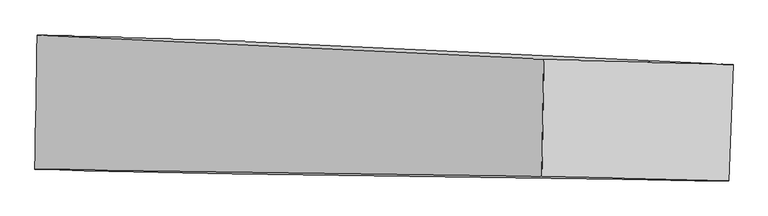
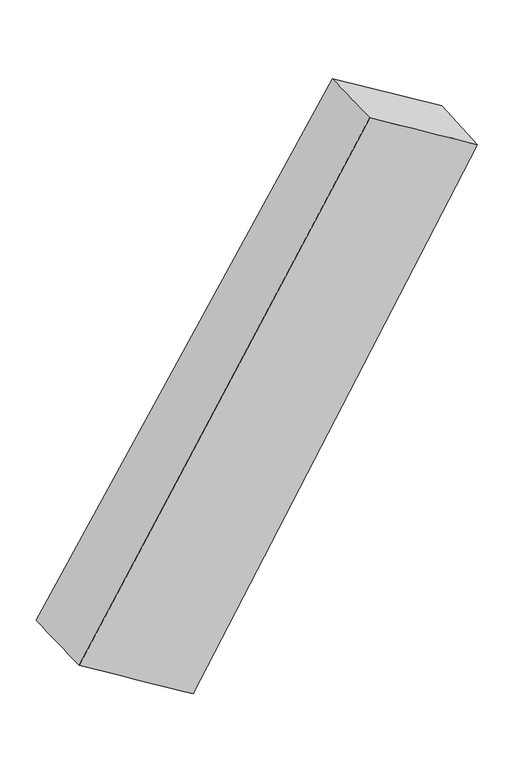
"""IFC4 building model written with IfcOpenShell, lengths in millimetres: proxy geometry."""

import ifcopenshell
import ifcopenshell.guid

model = None  # the IFC model being written
_history = None  # IfcOwnerHistory: only IFC2X3 demands one
_inside = {}  # id of a spatial element -> (the spatial element, [elements in it])
_under = {}  # id of a project, library or spatial element -> (it, [spatial elements below it])
_declared = {}  # id of a project -> (the project, [libraries it declares])
_typed = {}  # id of a type object -> (the type object, [elements of that type])
_made_of = {}  # id of a material, layer set ... -> (it, [elements and type objects made of it])


def new_model(schema):
    """Start an empty IFC model of exactly this schema.

    Asked for "IFC4X3", IfcOpenShell would pick the latest addendum, in which some entities
    have other attributes; the version numbers below select the first issue.
    IFC2X3 requires an IfcOwnerHistory on every rooted entity: one is made here for all.
    """
    global model, _history
    if schema == "IFC4X3":
        model = ifcopenshell.file(schema_version=(4, 3, 0, 0))
    else:
        model = ifcopenshell.file(schema=schema)
    _inside.clear()
    _under.clear()
    _declared.clear()
    _typed.clear()
    _made_of.clear()
    _history = None
    if model.schema == "IFC2X3":
        org = make("IfcOrganization", Name="unknown")
        user = make(
            "IfcPersonAndOrganization",
            ThePerson=make("IfcPerson", FamilyName="unknown"),
            TheOrganization=org,
        )
        app = make(
            "IfcApplication",
            ApplicationDeveloper=org,
            Version="unknown",
            ApplicationFullName="unknown",
            ApplicationIdentifier="unknown",
        )
        _history = make(
            "IfcOwnerHistory",
            OwningUser=user,
            OwningApplication=app,
            ChangeAction="ADDED",
            CreationDate=0,
        )
    return model


def make(cls, **values):
    """One entity of the class cls with the attributes given. An attribute that is None is left unset."""
    return model.create_entity(
        cls, **{name: value for name, value in values.items() if value is not None}
    )


def rooted(cls, **values):
    """An entity with a GlobalId (a new one), such as an element, a storey or a relation."""
    return make(cls, GlobalId=ifcopenshell.guid.new(), OwnerHistory=_history, **values)


def si_unit(unit_type, name, prefix=None):
    """IfcSIUnit, for example si_unit("LENGTHUNIT", "METRE", prefix="MILLI")."""
    return make("IfcSIUnit", UnitType=unit_type, Prefix=prefix, Name=name)


def assignment(units):
    """IfcUnitAssignment: the units of a project."""
    return None if units is None else make("IfcUnitAssignment", Units=units)


def point(xyz):
    """IfcCartesianPoint."""
    return None if xyz is None else make("IfcCartesianPoint", Coordinates=xyz)


def direction(xyz):
    """IfcDirection."""
    return None if xyz is None else make("IfcDirection", DirectionRatios=xyz)


def frame(location, z_axis=None, x_axis=None):
    """IfcAxis2Placement3D, a coordinate frame: its origin and axes. An axis left out is left unset."""
    return make(
        "IfcAxis2Placement3D",
        Location=point(location),
        Axis=direction(z_axis),
        RefDirection=direction(x_axis),
    )


def origin():
    """The frame at (0, 0, 0) with its axes left unset."""
    return frame((0.0, 0.0, 0.0))


def place(relative_to, where):
    """IfcLocalPlacement: puts the frame where relative to a parent placement (None: the world)."""
    return make(
        "IfcLocalPlacement", PlacementRelTo=relative_to, RelativePlacement=where
    )


def context(
    kind, dimensions, precision=None, world=None, true_north=None, identifier=None
):
    """IfcGeometricRepresentationContext, for example the 3D "Model" context."""
    return make(
        "IfcGeometricRepresentationContext",
        ContextIdentifier=identifier,
        ContextType=kind,
        CoordinateSpaceDimension=dimensions,
        Precision=precision,
        WorldCoordinateSystem=world,
        TrueNorth=true_north,
    )


def project(units=None, contexts=None):
    """IfcProject with its units and contexts."""
    return rooted(
        "IfcProject",
        Name="project",
        RepresentationContexts=contexts,
        UnitsInContext=assignment(units),
    )


def spatial(cls, under=None, at=None, **own):
    """A site, building, storey or space (cls), placed at a placement, below another one or the project."""
    s = rooted(cls, ObjectPlacement=at, **own)
    if under is not None:
        _under.setdefault(under.id(), (under, []))[1].append(s)
    return s


def shape(context_of_items, identifier, shape_type, items):
    """IfcShapeRepresentation: the items that make up one representation, for example the "Body"."""
    return make(
        "IfcShapeRepresentation",
        ContextOfItems=context_of_items,
        RepresentationIdentifier=identifier,
        RepresentationType=shape_type,
        Items=items,
    )


def source(mapping_origin, context_of_items, identifier, shape_type, items):
    """IfcRepresentationMap: a shape defined once, which mapped items show again and again."""
    return make(
        "IfcRepresentationMap",
        MappingOrigin=mapping_origin,
        MappedRepresentation=shape(context_of_items, identifier, shape_type, items),
    )


def transform(
    local_origin,
    x_axis=None,
    y_axis=None,
    z_axis=None,
    scale=None,
    scale2=None,
    scale3=None,
    uniform=True,
):
    """IfcCartesianTransformationOperator3D, or its non-uniform kind. x_axis, y_axis, z_axis: its Axis1, 2, 3."""
    if uniform:
        return make(
            "IfcCartesianTransformationOperator3D",
            Axis1=direction(x_axis),
            Axis2=direction(y_axis),
            LocalOrigin=point(local_origin),
            Scale=scale,
            Axis3=direction(z_axis),
        )
    return make(
        "IfcCartesianTransformationOperator3DnonUniform",
        Axis1=direction(x_axis),
        Axis2=direction(y_axis),
        LocalOrigin=point(local_origin),
        Scale=scale,
        Axis3=direction(z_axis),
        Scale2=scale2,
        Scale3=scale3,
    )


def mapped(mapping_source, mapping_target):
    """IfcMappedItem: shows the shape of a source again, moved by a transform."""
    return make(
        "IfcMappedItem", MappingSource=mapping_source, MappingTarget=mapping_target
    )


def made_of(thing, what):
    """Note that an element or type object is made of a material, layer set ...; save() writes the relation."""
    if what is not None:
        _made_of.setdefault(what.id(), (what, []))[1].append(thing)
    return thing


def element(
    cls,
    number,
    at=None,
    inside=None,
    cuts=None,
    type_object=None,
    material=None,
    context=None,
    identifier="Body",
    shape_type=None,
    held_by="IfcProductDefinitionShape",
    body=None,
    shapes=None,
    **own,
):
    """One element of the class cls, such as IfcWall. Its Tag is "e" and its number.

    at: its placement. inside: the storey or other place that contains it. cuts: it is an
    opening in that element (IfcRelVoidsElement). A single representation is given by context,
    identifier, shape_type and body (its items); several are given by shapes. held_by: the class
    of the entity that holds the representations. save() writes the other relations.
    """
    e = rooted(cls, Tag="e%d" % number, ObjectPlacement=at, **own)
    if body is not None:
        shapes = [shape(context, identifier, shape_type, body)]
    if shapes is not None:
        e.Representation = make(held_by, Representations=shapes)
    if inside is not None:
        _inside.setdefault(inside.id(), (inside, []))[1].append(e)
    if cuts is not None:
        rooted(
            "IfcRelVoidsElement", RelatingBuildingElement=cuts, RelatedOpeningElement=e
        )
    if type_object is not None:
        _typed.setdefault(type_object.id(), (type_object, []))[1].append(e)
    return made_of(e, material)


def aggregate(whole, parts):
    """IfcRelAggregates: a whole, such as a stair, and the parts it consists of."""
    return rooted("IfcRelAggregates", RelatingObject=whole, RelatedObjects=parts)


def save(model, path):
    """Write the relations noted so far, then the file.

    IfcRelAggregates (storeys below a building ...), IfcRelContainedInSpatialStructure (elements
    in a storey), IfcRelDefinesByType, IfcRelAssociatesMaterial and IfcRelDeclares: one each for
    every whole, place, type object, material and project.
    """
    for whole, parts in _under.values():
        aggregate(whole, parts)
    for where, things in _inside.values():
        rooted(
            "IfcRelContainedInSpatialStructure",
            RelatedElements=things,
            RelatingStructure=where,
        )
    for kind, things in _typed.values():
        rooted("IfcRelDefinesByType", RelatedObjects=things, RelatingType=kind)
    for what, things in _made_of.values():
        rooted("IfcRelAssociatesMaterial", RelatedObjects=things, RelatingMaterial=what)
    for by, libraries in _declared.values():
        rooted("IfcRelDeclares", RelatingContext=by, RelatedDefinitions=libraries)
    model.write(path)


def plane_surface(at):
    """IfcPlane: the flat surface through the origin of the frame at, square to its z axis."""
    return make("IfcPlane", Position=at)


def spline_surface(u_degree, v_degree, points, u_multiplicities, v_multiplicities, u_knots, v_knots, weights=None):
    """IfcBSplineSurfaceWithKnots; with weights, IfcRationalBSplineSurfaceWithKnots. points: one row for each step in u."""
    own = dict(
        UDegree=u_degree,
        VDegree=v_degree,
        ControlPointsList=[[point(p) for p in row] for row in points],
        SurfaceForm="UNSPECIFIED",
        UClosed=False,
        VClosed=False,
        SelfIntersect=False,
        UMultiplicities=u_multiplicities,
        VMultiplicities=v_multiplicities,
        UKnots=u_knots,
        VKnots=v_knots,
        KnotSpec="UNSPECIFIED",
    )
    if weights is None:
        return make("IfcBSplineSurfaceWithKnots", **own)
    return make("IfcRationalBSplineSurfaceWithKnots", WeightsData=weights, **own)


def advanced_brep(points, edges, surfaces, faces):
    """IfcAdvancedBrep: a solid bounded by faces that lie on surfaces and meet in shared edges.

    An edge is (start, end): straight between two places in points (the first is 0);
    or (start, end, curve); or (start, end, curve, False) where it runs against its curve.
    A face is (place in surfaces, loops), or (place, loops, False) where it looks against
    its surface's normal. A loop lists edges by number (the first is 1), with a minus sign
    where the edge is run from its end to its start. The first loop is the outer one.
    """
    corners = [point(p) for p in points]
    vertices = [make("IfcVertexPoint", VertexGeometry=c) for c in corners]
    made = []
    for start, end, *more in edges:
        made.append(
            make(
                "IfcEdgeCurve",
                EdgeStart=vertices[start],
                EdgeEnd=vertices[end],
                EdgeGeometry=more[0] if more else make("IfcPolyline", Points=[corners[start], corners[end]]),
                SameSense=more[1] if len(more) > 1 else True,
            )
        )
    hull = []
    for where, loops, *sense in faces:
        bounds = []
        for j, loop in enumerate(loops):
            ring = [make("IfcOrientedEdge", EdgeElement=made[abs(k) - 1], Orientation=k > 0) for k in loop]
            bounds.append(
                make(
                    "IfcFaceOuterBound" if j == 0 else "IfcFaceBound",
                    Bound=make("IfcEdgeLoop", EdgeList=ring),
                    Orientation=True,
                )
            )
        hull.append(make("IfcAdvancedFace", Bounds=bounds, FaceSurface=surfaces[where], SameSense=sense[0] if sense else True))
    return make("IfcAdvancedBrep", Outer=make("IfcClosedShell", CfsFaces=hull))


def generic_models_01580bef(model_context):
    return source(origin(), model_context, "Body", "AdvancedBrep", [
        advanced_brep(
        [(-2821.3945622, 1160.2120368, -1361.6141122), (-5426.8537545, 1239.740593, 205.3527188), (1258.6244182, 919.2406925, 11341.1266754), (3756.9996613, 849.0199974, 9838.6825668), (-5457.9961262, -539.9072861, 188.5129185), (1234.2900672, -632.582244, 11324.7476136), (-2852.1870196, -599.4397988, -1378.2647013), (3701.1569827, -691.6700656, 9841.4563203)],
        [
            (0, 1),
            (1, 2),
            (2, 3),
            (3, 0),
            (1, 4),
            (4, 5),
            (5, 2),
            (4, 6),
            (6, 7),
            (7, 5),
            (6, 0),
            (3, 7),
        ],
        [
            spline_surface(1, 1, [[(-2821.3945622, 1160.2120368, -1361.6141122), (3756.9996613, 849.0199974, 9838.6825668)], [(-5426.8537545, 1239.740593, 205.3527188), (1258.6244182, 919.2406925, 11341.1266754)]], [2, 2], [2, 2], [0.0, 1.0], [0.0, 1.0]),
            spline_surface(1, 1, [[(-5426.8537545, 1239.740593, 205.3527188), (1258.6244182, 919.2406925, 11341.1266754)], [(-5457.9961262, -539.9072861, 188.5129185), (1234.2900672, -632.582244, 11324.7476136)]], [2, 2], [2, 2], [0.0, 1.0], [0.0, 1.0]),
            spline_surface(1, 1, [[(-5457.9961262, -539.9072861, 188.5129185), (1234.2900672, -632.582244, 11324.7476136)], [(-2852.1870196, -599.4397988, -1378.2647013), (3701.1569827, -691.6700656, 9841.4563203)]], [2, 2], [2, 2], [0.0, 1.0], [0.0, 1.0]),
            spline_surface(1, 1, [[(-2852.1870196, -599.4397988, -1378.2647013), (3701.1569827, -691.6700656, 9841.4563203)], [(-2821.3945622, 1160.2120368, -1361.6141122), (3756.9996613, 849.0199974, 9838.6825668)]], [2, 2], [2, 2], [0.0, 1.0], [0.0, 1.0]),
            plane_surface(frame((2487.7677824, 111.0020951, 10586.503294), z_axis=(0.514928830886063, -0.017120722264094907, 0.8570619464142998), x_axis=(-0.8567266178214533, 0.024079624866044657, 0.5152083791850868))),
            plane_surface(frame((-4139.6078656, 315.1513862, -586.503294), z_axis=(-0.514928830886064, 0.01712072226409729, -0.8570619464142992), x_axis=(-0.017495714398912503, -0.9998021793057759, -0.009460561986105719))),
        ],
        [
            (0, [[1, 2, 3, 4]]),
            (1, [[5, 6, 7, -2]]),
            (2, [[8, 9, 10, -6]]),
            (3, [[11, -4, 12, -9]]),
            (4, [[-3, -7, -10, -12]]),
            (5, [[-11, -8, -5, -1]]),
        ],
    ),
    ])


if __name__ == "__main__":
    model = new_model("IFC4")
    model_context = context("Model", 3, world=origin())
    ifc_project = project(units=[si_unit("LENGTHUNIT", "METRE", prefix="MILLI")], contexts=[model_context])
    site = spatial("IfcSite", under=ifc_project)
    building = spatial("IfcBuilding", under=site)
    placement = place(None, origin())
    generic_models_shape = generic_models_01580bef(model_context)
    element("IfcBuildingElementProxy", 1, Name="Generic Models", at=placement, inside=building, context=model_context, shape_type="MappedRepresentation", body=[
        mapped(generic_models_shape, transform((0.0, 0.0, 0.0), x_axis=(1.0, 0.0, 0.0), y_axis=(0.0, 1.0, 0.0), z_axis=(0.0, 0.0, 1.0))),
    ])
    save(model, "model.ifc")
